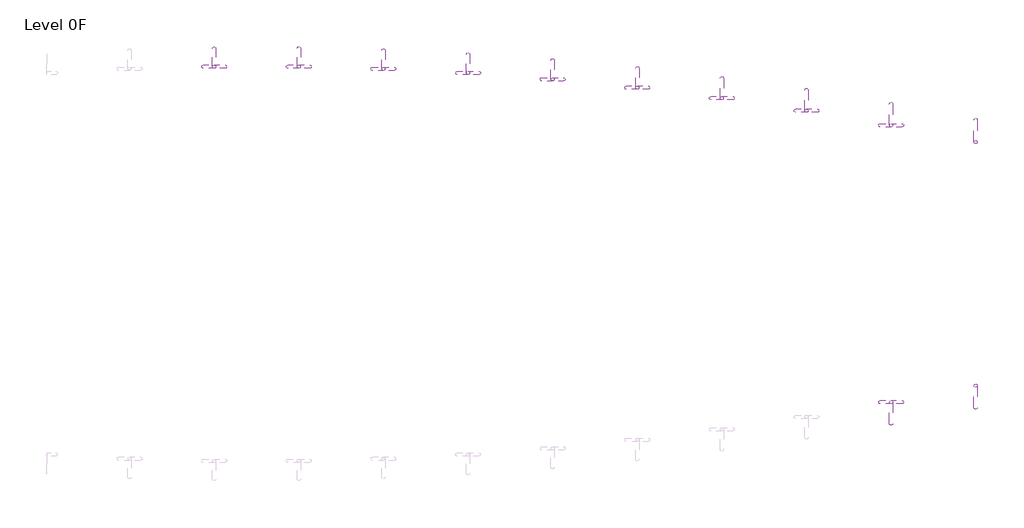
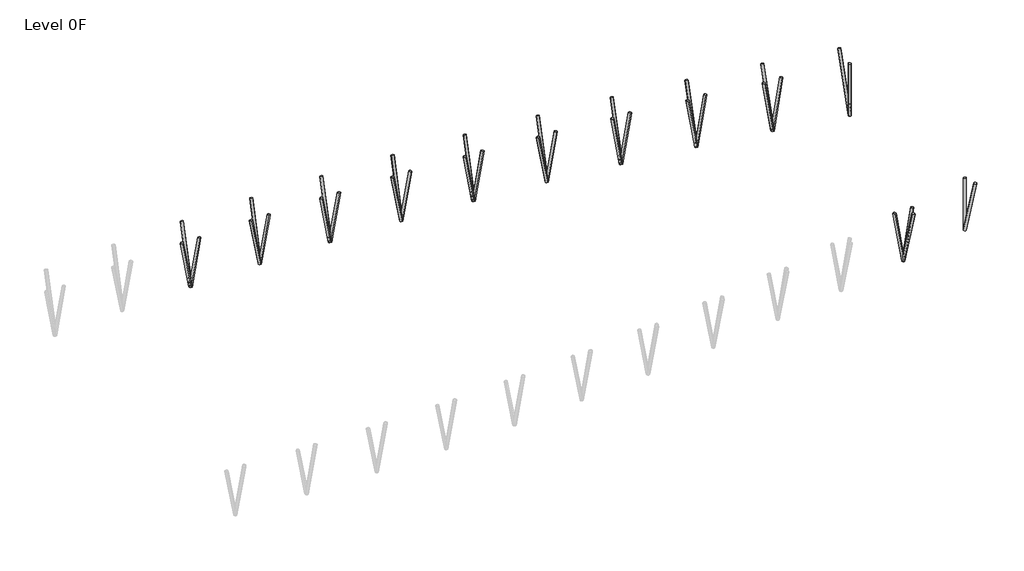
# One storey, part 3 of 3: 34 columns.
"""IFC4 building model written with IfcOpenShell, lengths in millimetres."""

from ifc_helpers import new_model, si_unit, point, frame, frame_2d, origin, place, context, project, spatial, circle_curve, trimmed, segment, composite_curve, outline, extrude, element, save

model = new_model("IFC4")

# Units and contexts
model_context = context("Model", 3, world=origin())
ifc_project = project(units=[si_unit("LENGTHUNIT", "METRE", prefix="MILLI")], contexts=[model_context])

# Site, building, storey
site = spatial("IfcSite", under=ifc_project)
building = spatial("IfcBuilding", under=site)
storey = spatial("IfcBuildingStorey", under=building, Name="Level 0F", Elevation=-1600.0)

# Columns
placement = place(None, origin())
element("IfcColumn", 1, ObjectType="CHS-Round tubes-Column : CHS 244.5x6", at=placement, inside=storey, context=model_context, shape_type="SweptSolid", body=[
    extrude(outline(composite_curve([segment(trimmed(circle_curve(frame_2d((0.0, -122.25)), 122.25), [point((0.0, -244.5))], [point((0.0, 0.0))], False, "CARTESIAN"), True, "CONTINUOUS"), segment(trimmed(circle_curve(frame_2d((0.0, -122.25)), 122.25), [point((0.0, 0.0))], [point((0.0, -244.5))], False, "CARTESIAN"), True, "CONTINUOUS")], self_intersect=False), holes=[composite_curve([segment(trimmed(circle_curve(frame_2d((0.0, -122.25)), 116.25), [point((0.0, -238.5))], [point((0.0, -6.0))], True, "CARTESIAN"), True, "CONTINUOUS"), segment(trimmed(circle_curve(frame_2d((0.0, -122.25)), 116.25), [point((0.0, -6.0))], [point((0.0, -238.5))], True, "CARTESIAN"), True, "CONTINUOUS")], self_intersect=False)]), frame((3228.9976633, 34319.5752339, -100.0), z_axis=(0.0, 0.24359208578785344, 0.9698777736093982), x_axis=(0.0, 0.9698777736093982, -0.24359208578785344)), (0.0, 0.0, 1.0), 5258.3899322),
])
element("IfcColumn", 2, ObjectType="CHS-Round tubes-Column : CHS 244.5x6", at=placement, inside=storey, context=model_context, shape_type="SweptSolid", body=[
    extrude(outline(composite_curve([segment(trimmed(circle_curve(frame_2d((0.0, -122.25)), 122.25), [point((0.0, -244.5))], [point((0.0, 0.0))], False, "CARTESIAN"), True, "CONTINUOUS"), segment(trimmed(circle_curve(frame_2d((0.0, -122.25)), 122.25), [point((0.0, 0.0))], [point((0.0, -244.5))], False, "CARTESIAN"), True, "CONTINUOUS")], self_intersect=False), holes=[composite_curve([segment(trimmed(circle_curve(frame_2d((0.0, -122.25)), 116.25), [point((0.0, -238.5))], [point((0.0, -6.0))], True, "CARTESIAN"), True, "CONTINUOUS"), segment(trimmed(circle_curve(frame_2d((0.0, -122.25)), 116.25), [point((0.0, -6.0))], [point((0.0, -238.5))], True, "CARTESIAN"), True, "CONTINUOUS")], self_intersect=False)]), frame((9111.3524995, 34319.5752339, -100.0), z_axis=(0.0, 0.2435920857878605, 0.9698777736093964), x_axis=(0.0, 0.9698777736093964, -0.2435920857878605)), (0.0, 0.0, 1.0), 5258.3899322),
])
element("IfcColumn", 3, ObjectType="CHS-Round tubes-Column : CHS 244.5x6", at=placement, inside=storey, context=model_context, shape_type="SweptSolid", body=[
    extrude(outline(composite_curve([segment(trimmed(circle_curve(frame_2d((0.0, -122.25)), 122.25), [point((0.0, -244.5))], [point((0.0, 0.0))], False, "CARTESIAN"), True, "CONTINUOUS"), segment(trimmed(circle_curve(frame_2d((0.0, -122.25)), 122.25), [point((0.0, 0.0))], [point((0.0, -244.5))], False, "CARTESIAN"), True, "CONTINUOUS")], self_intersect=False), holes=[composite_curve([segment(trimmed(circle_curve(frame_2d((0.0, -122.25)), 116.25), [point((0.0, -238.5))], [point((0.0, -6.0))], True, "CARTESIAN"), True, "CONTINUOUS"), segment(trimmed(circle_curve(frame_2d((0.0, -122.25)), 116.25), [point((0.0, -6.0))], [point((0.0, -238.5))], True, "CARTESIAN"), True, "CONTINUOUS")], self_intersect=False)]), frame((14993.7073357, 34173.9303154, -100.0), z_axis=(0.0, 0.24488595042368114, 0.9695518920022231), x_axis=(0.0, 0.9695518920022231, -0.24488595042368114)), (0.0, 0.0, 1.0), 5260.1573692),
])
element("IfcColumn", 4, ObjectType="CHS-Round tubes-Column : CHS 244.5x6", at=placement, inside=storey, context=model_context, shape_type="SweptSolid", body=[
    extrude(outline(composite_curve([segment(trimmed(circle_curve(frame_2d((0.0, -122.25)), 122.25), [point((0.0, -244.5))], [point((0.0, 0.0))], False, "CARTESIAN"), True, "CONTINUOUS"), segment(trimmed(circle_curve(frame_2d((0.0, -122.25)), 122.25), [point((0.0, 0.0))], [point((0.0, -244.5))], False, "CARTESIAN"), True, "CONTINUOUS")], self_intersect=False), holes=[composite_curve([segment(trimmed(circle_curve(frame_2d((0.0, -122.25)), 116.25), [point((0.0, -238.5))], [point((0.0, -6.0))], True, "CARTESIAN"), True, "CONTINUOUS"), segment(trimmed(circle_curve(frame_2d((0.0, -122.25)), 116.25), [point((0.0, -6.0))], [point((0.0, -238.5))], True, "CARTESIAN"), True, "CONTINUOUS")], self_intersect=False)]), frame((20876.0621719, 33882.533172, -100.0), z_axis=(0.0, 0.2474888909356892, 0.9688907311267987), x_axis=(0.0, 0.9688907311267987, -0.2474888909356892)), (0.0, 0.0, 1.0), 5263.7468645),
])
element("IfcColumn", 5, ObjectType="CHS-Round tubes-Column : CHS 244.5x6", at=placement, inside=storey, context=model_context, shape_type="SweptSolid", body=[
    extrude(outline(composite_curve([segment(trimmed(circle_curve(frame_2d((0.0, -122.25)), 122.25), [point((0.0, -244.5))], [point((0.0, 0.0))], False, "CARTESIAN"), True, "CONTINUOUS"), segment(trimmed(circle_curve(frame_2d((0.0, -122.25)), 122.25), [point((0.0, 0.0))], [point((0.0, -244.5))], False, "CARTESIAN"), True, "CONTINUOUS")], self_intersect=False), holes=[composite_curve([segment(trimmed(circle_curve(frame_2d((0.0, -122.25)), 116.25), [point((0.0, -238.5))], [point((0.0, -6.0))], True, "CARTESIAN"), True, "CONTINUOUS"), segment(trimmed(circle_curve(frame_2d((0.0, -122.25)), 116.25), [point((0.0, -6.0))], [point((0.0, -238.5))], True, "CARTESIAN"), True, "CONTINUOUS")], self_intersect=False)]), frame((26758.4170081, 33445.2054656, -100.0), z_axis=(0.0, 0.25142450676450084, 0.9678769123180011), x_axis=(0.0, 0.9678769123180011, -0.25142450676450084)), (0.0, 0.0, 1.0), 5269.2604927),
])
element("IfcColumn", 6, ObjectType="CHS-Round tubes-Column : CHS 244.5x6", at=placement, inside=storey, context=model_context, shape_type="SweptSolid", body=[
    extrude(outline(composite_curve([segment(trimmed(circle_curve(frame_2d((0.0, -122.25)), 122.25), [point((0.0, -244.5))], [point((0.0, 0.0))], False, "CARTESIAN"), True, "CONTINUOUS"), segment(trimmed(circle_curve(frame_2d((0.0, -122.25)), 122.25), [point((0.0, 0.0))], [point((0.0, -244.5))], False, "CARTESIAN"), True, "CONTINUOUS")], self_intersect=False), holes=[composite_curve([segment(trimmed(circle_curve(frame_2d((0.0, -122.25)), 116.25), [point((0.0, -238.5))], [point((0.0, -6.0))], True, "CARTESIAN"), True, "CONTINUOUS"), segment(trimmed(circle_curve(frame_2d((0.0, -122.25)), 116.25), [point((0.0, -6.0))], [point((0.0, -238.5))], True, "CARTESIAN"), True, "CONTINUOUS")], self_intersect=False)]), frame((32640.7718442, 32861.789376, -100.0), z_axis=(0.0, 0.25670794805985014, 0.966489021873969), x_axis=(0.0, 0.966489021873969, -0.25670794805985014)), (0.0, 0.0, 1.0), 5276.8272557),
])
element("IfcColumn", 7, ObjectType="CHS-Round tubes-Column : CHS 244.5x6", at=placement, inside=storey, context=model_context, shape_type="SweptSolid", body=[
    extrude(outline(composite_curve([segment(trimmed(circle_curve(frame_2d((0.0, -122.25)), 122.25), [point((0.0, -244.5))], [point((0.0, 0.0))], False, "CARTESIAN"), True, "CONTINUOUS"), segment(trimmed(circle_curve(frame_2d((0.0, -122.25)), 122.25), [point((0.0, 0.0))], [point((0.0, -244.5))], False, "CARTESIAN"), True, "CONTINUOUS")], self_intersect=False), holes=[composite_curve([segment(trimmed(circle_curve(frame_2d((0.0, -122.25)), 116.25), [point((0.0, -238.5))], [point((0.0, -6.0))], True, "CARTESIAN"), True, "CONTINUOUS"), segment(trimmed(circle_curve(frame_2d((0.0, -122.25)), 116.25), [point((0.0, -6.0))], [point((0.0, -238.5))], True, "CARTESIAN"), True, "CONTINUOUS")], self_intersect=False)]), frame((38523.1266804, 32132.3393642, -100.0), z_axis=(0.0, 0.2633116576114576, 0.9647108224571271), x_axis=(0.0, 0.9647108224571271, -0.2633116576114576)), (0.0, 0.0, 1.0), 5286.5537947),
])
element("IfcColumn", 8, ObjectType="CHS-Round tubes-Column : CHS 244.5x6", at=placement, inside=storey, context=model_context, shape_type="SweptSolid", body=[
    extrude(outline(composite_curve([segment(trimmed(circle_curve(frame_2d((0.0, -122.25)), 122.25), [point((0.0, -244.5))], [point((0.0, 0.0))], False, "CARTESIAN"), True, "CONTINUOUS"), segment(trimmed(circle_curve(frame_2d((0.0, -122.25)), 122.25), [point((0.0, 0.0))], [point((0.0, -244.5))], False, "CARTESIAN"), True, "CONTINUOUS")], self_intersect=False), holes=[composite_curve([segment(trimmed(circle_curve(frame_2d((0.0, -122.25)), 116.25), [point((0.0, -238.5))], [point((0.0, -6.0))], True, "CARTESIAN"), True, "CONTINUOUS"), segment(trimmed(circle_curve(frame_2d((0.0, -122.25)), 116.25), [point((0.0, -6.0))], [point((0.0, -238.5))], True, "CARTESIAN"), True, "CONTINUOUS")], self_intersect=False)]), frame((44405.4815166, 31257.4980252, -100.0), z_axis=(0.0, 0.27110026908041684, 0.9625511124633983), x_axis=(0.0, 0.9625511124633983, -0.27110026908041684)), (0.0, 0.0, 1.0), 5298.4154803),
])
element("IfcColumn", 9, ObjectType="CHS-Round tubes-Column : CHS 244.5x6", at=placement, inside=storey, context=model_context, shape_type="SweptSolid", body=[
    extrude(outline(composite_curve([segment(trimmed(circle_curve(frame_2d((0.0, -122.25)), 122.25), [point((0.0, -244.5))], [point((0.0, 0.0))], False, "CARTESIAN"), True, "CONTINUOUS"), segment(trimmed(circle_curve(frame_2d((0.0, -122.25)), 122.25), [point((0.0, 0.0))], [point((0.0, -244.5))], False, "CARTESIAN"), True, "CONTINUOUS")], self_intersect=False), holes=[composite_curve([segment(trimmed(circle_curve(frame_2d((0.0, -122.25)), 116.25), [point((0.0, -238.5))], [point((0.0, -6.0))], True, "CARTESIAN"), True, "CONTINUOUS"), segment(trimmed(circle_curve(frame_2d((0.0, -122.25)), 116.25), [point((0.0, -6.0))], [point((0.0, -238.5))], True, "CARTESIAN"), True, "CONTINUOUS")], self_intersect=False)]), frame((50287.8363528, 30239.1888192, -100.0), z_axis=(0.0, 0.2797142668685734, 0.9600832926940124), x_axis=(0.0, 0.9600832926940124, -0.2797142668685734)), (0.0, 0.0, 1.0), 5312.0347147),
])
element("IfcColumn", 10, ObjectType="CHS-Round tubes-Column : CHS 244.5x6", at=placement, inside=storey, context=model_context, shape_type="SweptSolid", body=[
    extrude(outline(composite_curve([segment(trimmed(circle_curve(frame_2d((0.0, -122.25)), 122.25), [point((0.0, -244.5))], [point((0.0, 0.0))], False, "CARTESIAN"), True, "CONTINUOUS"), segment(trimmed(circle_curve(frame_2d((0.0, -122.25)), 122.25), [point((0.0, 0.0))], [point((0.0, -244.5))], False, "CARTESIAN"), True, "CONTINUOUS")], self_intersect=False), holes=[composite_curve([segment(trimmed(circle_curve(frame_2d((0.0, -122.25)), 116.25), [point((0.0, -238.5))], [point((0.0, -6.0))], True, "CARTESIAN"), True, "CONTINUOUS"), segment(trimmed(circle_curve(frame_2d((0.0, -122.25)), 116.25), [point((0.0, -6.0))], [point((0.0, -238.5))], True, "CARTESIAN"), True, "CONTINUOUS")], self_intersect=False)]), frame((56170.1911889, 29081.7727716, -100.0), z_axis=(0.0, 0.28838146408851056, 0.9575156036170727), x_axis=(0.0, 0.9575156036170727, -0.28838146408851056)), (0.0, 0.0, 1.0), 5326.2796289),
])
element("IfcColumn", 11, ObjectType="CHS-Round tubes-Column : CHS 244.5x6", at=placement, inside=storey, context=model_context, shape_type="SweptSolid", body=[
    extrude(outline(composite_curve([segment(trimmed(circle_curve(frame_2d((0.0, -122.25)), 122.25), [point((0.0, -244.5))], [point((0.0, 0.0))], False, "CARTESIAN"), True, "CONTINUOUS"), segment(trimmed(circle_curve(frame_2d((0.0, -122.25)), 122.25), [point((0.0, 0.0))], [point((0.0, -244.5))], False, "CARTESIAN"), True, "CONTINUOUS")], self_intersect=False), holes=[composite_curve([segment(trimmed(circle_curve(frame_2d((0.0, -122.25)), 116.25), [point((0.0, -238.5))], [point((0.0, -6.0))], True, "CARTESIAN"), True, "CONTINUOUS"), segment(trimmed(circle_curve(frame_2d((0.0, -122.25)), 116.25), [point((0.0, -6.0))], [point((0.0, -238.5))], True, "CARTESIAN"), True, "CONTINUOUS")], self_intersect=False)]), frame((50532.3363528, 10996.3613836, -100.0), z_axis=(0.0, -0.2797142668685815, 0.96008329269401), x_axis=(0.0, -0.96008329269401, -0.2797142668685815)), (0.0, 0.0, 1.0), 5312.0347147),
])
element("IfcColumn", 12, ObjectType="CHS-Round tubes-Column : CHS 244.5x6", at=placement, inside=storey, context=model_context, shape_type="SweptSolid", body=[
    extrude(outline(composite_curve([segment(trimmed(circle_curve(frame_2d((0.0, -122.25)), 122.25), [point((0.0, -244.5))], [point((0.0, 0.0))], False, "CARTESIAN"), True, "CONTINUOUS"), segment(trimmed(circle_curve(frame_2d((0.0, -122.25)), 122.25), [point((0.0, 0.0))], [point((0.0, -244.5))], False, "CARTESIAN"), True, "CONTINUOUS")], self_intersect=False), holes=[composite_curve([segment(trimmed(circle_curve(frame_2d((0.0, -122.25)), 116.25), [point((0.0, -238.5))], [point((0.0, -6.0))], True, "CARTESIAN"), True, "CONTINUOUS"), segment(trimmed(circle_curve(frame_2d((0.0, -122.25)), 116.25), [point((0.0, -6.0))], [point((0.0, -238.5))], True, "CARTESIAN"), True, "CONTINUOUS")], self_intersect=False)]), frame((56414.6911889, 12153.7774311, -100.0), z_axis=(0.0, -0.2883814640885175, 0.9575156036170707), x_axis=(0.0, -0.9575156036170707, -0.2883814640885175)), (0.0, 0.0, 1.0), 5326.2796289),
])
element("IfcColumn", 13, ObjectType="CHS-Round tubes-Column : CHS 244.5x6", at=placement, inside=storey, context=model_context, shape_type="SweptSolid", body=[
    extrude(outline(composite_curve([segment(trimmed(circle_curve(frame_2d((56292.4411889, 29081.7727716)), 122.25), [point((56170.1911889, 29081.7727716))], [point((56414.6911889, 29081.7727716))], False, "CARTESIAN"), True, "CONTINUOUS"), segment(trimmed(circle_curve(frame_2d((56292.4411889, 29081.7727716)), 122.25), [point((56414.6911889, 29081.7727716))], [point((56170.1911889, 29081.7727716))], False, "CARTESIAN"), True, "CONTINUOUS")], self_intersect=False), holes=[composite_curve([segment(trimmed(circle_curve(frame_2d((56292.4411889, 29081.7727716)), 116.25), [point((56176.1911889, 29081.7727716))], [point((56408.6911889, 29081.7727716))], True, "CARTESIAN"), True, "CONTINUOUS"), segment(trimmed(circle_curve(frame_2d((56292.4411889, 29081.7727716)), 116.25), [point((56408.6911889, 29081.7727716))], [point((56176.1911889, 29081.7727716))], True, "CARTESIAN"), True, "CONTINUOUS")], self_intersect=False)]), frame((0.0, 0.0, -100.0), z_axis=(0.0, 0.0, 1.0), x_axis=(1.0, 0.0, 0.0)), (0.0, 0.0, 1.0), 4651.9969426),
])
element("IfcColumn", 14, ObjectType="CHS-Round tubes-Column : CHS 244.5x6", at=placement, inside=storey, context=model_context, shape_type="SweptSolid", body=[
    extrude(outline(composite_curve([segment(trimmed(circle_curve(frame_2d((56292.4411889, 12153.7774311)), 122.25), [point((56170.1911889, 12153.7774311))], [point((56414.6911889, 12153.7774311))], False, "CARTESIAN"), True, "CONTINUOUS"), segment(trimmed(circle_curve(frame_2d((56292.4411889, 12153.7774311)), 122.25), [point((56414.6911889, 12153.7774311))], [point((56170.1911889, 12153.7774311))], False, "CARTESIAN"), True, "CONTINUOUS")], self_intersect=False), holes=[composite_curve([segment(trimmed(circle_curve(frame_2d((56292.4411889, 12153.7774311)), 116.25), [point((56176.1911889, 12153.7774311))], [point((56408.6911889, 12153.7774311))], True, "CARTESIAN"), True, "CONTINUOUS"), segment(trimmed(circle_curve(frame_2d((56292.4411889, 12153.7774311)), 116.25), [point((56408.6911889, 12153.7774311))], [point((56176.1911889, 12153.7774311))], True, "CARTESIAN"), True, "CONTINUOUS")], self_intersect=False)]), frame((0.0, 0.0, -100.0), z_axis=(0.0, 0.0, 1.0), x_axis=(1.0, 0.0, 0.0)), (0.0, 0.0, 1.0), 4651.9969426),
])
element("IfcColumn", 15, ObjectType="CHS-Round tubes-Column : CHS 244.5x6", at=placement, inside=storey, context=model_context, shape_type="SweptSolid", body=[
    extrude(outline(composite_curve([segment(trimmed(circle_curve(frame_2d((0.0, -122.25)), 122.25), [point((0.0, -244.5))], [point((0.0, 0.0))], False, "CARTESIAN"), True, "CONTINUOUS"), segment(trimmed(circle_curve(frame_2d((0.0, -122.25)), 122.25), [point((0.0, 0.0))], [point((0.0, -244.5))], False, "CARTESIAN"), True, "CONTINUOUS")], self_intersect=False), holes=[composite_curve([segment(trimmed(circle_curve(frame_2d((0.0, -122.25)), 116.25), [point((0.0, -238.5))], [point((0.0, -6.0))], True, "CARTESIAN"), True, "CONTINUOUS"), segment(trimmed(circle_curve(frame_2d((0.0, -122.25)), 116.25), [point((0.0, -6.0))], [point((0.0, -238.5))], True, "CARTESIAN"), True, "CONTINUOUS")], self_intersect=False)]), frame((3351.2476633, 34441.8252339, -100.0), z_axis=(0.17820793745383384, 0.0, 0.9839928511063739), x_axis=(0.9839928511063739, 0.0, -0.17820793745383384)), (0.0, 0.0, 1.0), 4208.5667491),
])
element("IfcColumn", 16, ObjectType="CHS-Round tubes-Column : CHS 244.5x6", at=placement, inside=storey, context=model_context, shape_type="SweptSolid", body=[
    extrude(outline(composite_curve([segment(trimmed(circle_curve(frame_2d((0.0, -122.25)), 122.25), [point((0.0, -244.5))], [point((0.0, 0.0))], False, "CARTESIAN"), True, "CONTINUOUS"), segment(trimmed(circle_curve(frame_2d((0.0, -122.25)), 122.25), [point((0.0, 0.0))], [point((0.0, -244.5))], False, "CARTESIAN"), True, "CONTINUOUS")], self_intersect=False), holes=[composite_curve([segment(trimmed(circle_curve(frame_2d((0.0, -122.25)), 116.25), [point((0.0, -238.5))], [point((0.0, -6.0))], True, "CARTESIAN"), True, "CONTINUOUS"), segment(trimmed(circle_curve(frame_2d((0.0, -122.25)), 116.25), [point((0.0, -6.0))], [point((0.0, -238.5))], True, "CARTESIAN"), True, "CONTINUOUS")], self_intersect=False)]), frame((3351.2476633, 34197.3252339, -100.0), z_axis=(-0.17820793745383373, 0.0, 0.9839928511063739), x_axis=(-0.9839928511063739, 0.0, -0.17820793745383373)), (0.0, 0.0, 1.0), 4208.5667491),
])
element("IfcColumn", 17, ObjectType="CHS-Round tubes-Column : CHS 244.5x6", at=placement, inside=storey, context=model_context, shape_type="SweptSolid", body=[
    extrude(outline(composite_curve([segment(trimmed(circle_curve(frame_2d((0.0, -122.25)), 122.25), [point((0.0, -244.5))], [point((0.0, 0.0))], False, "CARTESIAN"), True, "CONTINUOUS"), segment(trimmed(circle_curve(frame_2d((0.0, -122.25)), 122.25), [point((0.0, 0.0))], [point((0.0, -244.5))], False, "CARTESIAN"), True, "CONTINUOUS")], self_intersect=False), holes=[composite_curve([segment(trimmed(circle_curve(frame_2d((0.0, -122.25)), 116.25), [point((0.0, -238.5))], [point((0.0, -6.0))], True, "CARTESIAN"), True, "CONTINUOUS"), segment(trimmed(circle_curve(frame_2d((0.0, -122.25)), 116.25), [point((0.0, -6.0))], [point((0.0, -238.5))], True, "CARTESIAN"), True, "CONTINUOUS")], self_intersect=False)]), frame((9233.6024995, 34441.8252339, -100.0), z_axis=(0.1782079374538309, 0.0, 0.9839928511063744), x_axis=(0.9839928511063744, 0.0, -0.1782079374538309)), (0.0, 0.0, 1.0), 4208.5667491),
])
element("IfcColumn", 18, ObjectType="CHS-Round tubes-Column : CHS 244.5x6", at=placement, inside=storey, context=model_context, shape_type="SweptSolid", body=[
    extrude(outline(composite_curve([segment(trimmed(circle_curve(frame_2d((0.0, -122.25)), 122.25), [point((0.0, -244.5))], [point((0.0, 0.0))], False, "CARTESIAN"), True, "CONTINUOUS"), segment(trimmed(circle_curve(frame_2d((0.0, -122.25)), 122.25), [point((0.0, 0.0))], [point((0.0, -244.5))], False, "CARTESIAN"), True, "CONTINUOUS")], self_intersect=False), holes=[composite_curve([segment(trimmed(circle_curve(frame_2d((0.0, -122.25)), 116.25), [point((0.0, -238.5))], [point((0.0, -6.0))], True, "CARTESIAN"), True, "CONTINUOUS"), segment(trimmed(circle_curve(frame_2d((0.0, -122.25)), 116.25), [point((0.0, -6.0))], [point((0.0, -238.5))], True, "CARTESIAN"), True, "CONTINUOUS")], self_intersect=False)]), frame((9233.6024995, 34197.3252339, -100.0), z_axis=(-0.1782079374538309, 0.0, 0.9839928511063744), x_axis=(-0.9839928511063744, 0.0, -0.1782079374538309)), (0.0, 0.0, 1.0), 4208.5667491),
])
element("IfcColumn", 19, ObjectType="CHS-Round tubes-Column : CHS 244.5x6", at=placement, inside=storey, context=model_context, shape_type="SweptSolid", body=[
    extrude(outline(composite_curve([segment(trimmed(circle_curve(frame_2d((0.0, -122.25)), 122.25), [point((0.0, -244.5))], [point((0.0, 0.0))], False, "CARTESIAN"), True, "CONTINUOUS"), segment(trimmed(circle_curve(frame_2d((0.0, -122.25)), 122.25), [point((0.0, 0.0))], [point((0.0, -244.5))], False, "CARTESIAN"), True, "CONTINUOUS")], self_intersect=False), holes=[composite_curve([segment(trimmed(circle_curve(frame_2d((0.0, -122.25)), 116.25), [point((0.0, -238.5))], [point((0.0, -6.0))], True, "CARTESIAN"), True, "CONTINUOUS"), segment(trimmed(circle_curve(frame_2d((0.0, -122.25)), 116.25), [point((0.0, -6.0))], [point((0.0, -238.5))], True, "CARTESIAN"), True, "CONTINUOUS")], self_intersect=False)]), frame((15115.9573357, 34296.1803154, -100.0), z_axis=(0.17780283317114015, 0.0, 0.9840661321864074), x_axis=(0.9840661321864074, 0.0, -0.17780283317114015)), (0.0, 0.0, 1.0), 4218.1555076),
])
element("IfcColumn", 20, ObjectType="CHS-Round tubes-Column : CHS 244.5x6", at=placement, inside=storey, context=model_context, shape_type="SweptSolid", body=[
    extrude(outline(composite_curve([segment(trimmed(circle_curve(frame_2d((0.0, -122.25)), 122.25), [point((0.0, -244.5))], [point((0.0, 0.0))], False, "CARTESIAN"), True, "CONTINUOUS"), segment(trimmed(circle_curve(frame_2d((0.0, -122.25)), 122.25), [point((0.0, 0.0))], [point((0.0, -244.5))], False, "CARTESIAN"), True, "CONTINUOUS")], self_intersect=False), holes=[composite_curve([segment(trimmed(circle_curve(frame_2d((0.0, -122.25)), 116.25), [point((0.0, -238.5))], [point((0.0, -6.0))], True, "CARTESIAN"), True, "CONTINUOUS"), segment(trimmed(circle_curve(frame_2d((0.0, -122.25)), 116.25), [point((0.0, -6.0))], [point((0.0, -238.5))], True, "CARTESIAN"), True, "CONTINUOUS")], self_intersect=False)]), frame((15115.9573357, 34051.6803154, -100.0), z_axis=(-0.17780283317114015, 0.0, 0.9840661321864074), x_axis=(-0.9840661321864074, 0.0, -0.17780283317114015)), (0.0, 0.0, 1.0), 4218.1555076),
])
element("IfcColumn", 21, ObjectType="CHS-Round tubes-Column : CHS 244.5x6", at=placement, inside=storey, context=model_context, shape_type="SweptSolid", body=[
    extrude(outline(composite_curve([segment(trimmed(circle_curve(frame_2d((0.0, -122.25)), 122.25), [point((0.0, -244.5))], [point((0.0, 0.0))], False, "CARTESIAN"), True, "CONTINUOUS"), segment(trimmed(circle_curve(frame_2d((0.0, -122.25)), 122.25), [point((0.0, 0.0))], [point((0.0, -244.5))], False, "CARTESIAN"), True, "CONTINUOUS")], self_intersect=False), holes=[composite_curve([segment(trimmed(circle_curve(frame_2d((0.0, -122.25)), 116.25), [point((0.0, -238.5))], [point((0.0, -6.0))], True, "CARTESIAN"), True, "CONTINUOUS"), segment(trimmed(circle_curve(frame_2d((0.0, -122.25)), 116.25), [point((0.0, -6.0))], [point((0.0, -238.5))], True, "CARTESIAN"), True, "CONTINUOUS")], self_intersect=False)]), frame((20998.3121719, 34004.783172, -100.0), z_axis=(0.17697230239486794, 0.0, 0.9842158321146127), x_axis=(0.9842158321146127, 0.0, -0.17697230239486794)), (0.0, 0.0, 1.0), 4237.9513057),
])
element("IfcColumn", 22, ObjectType="CHS-Round tubes-Column : CHS 244.5x6", at=placement, inside=storey, context=model_context, shape_type="SweptSolid", body=[
    extrude(outline(composite_curve([segment(trimmed(circle_curve(frame_2d((0.0, -122.25)), 122.25), [point((0.0, -244.5))], [point((0.0, 0.0))], False, "CARTESIAN"), True, "CONTINUOUS"), segment(trimmed(circle_curve(frame_2d((0.0, -122.25)), 122.25), [point((0.0, 0.0))], [point((0.0, -244.5))], False, "CARTESIAN"), True, "CONTINUOUS")], self_intersect=False), holes=[composite_curve([segment(trimmed(circle_curve(frame_2d((0.0, -122.25)), 116.25), [point((0.0, -238.5))], [point((0.0, -6.0))], True, "CARTESIAN"), True, "CONTINUOUS"), segment(trimmed(circle_curve(frame_2d((0.0, -122.25)), 116.25), [point((0.0, -6.0))], [point((0.0, -238.5))], True, "CARTESIAN"), True, "CONTINUOUS")], self_intersect=False)]), frame((20998.3121719, 33760.283172, -100.0), z_axis=(-0.17697230239486794, 0.0, 0.9842158321146127), x_axis=(-0.9842158321146127, 0.0, -0.17697230239486794)), (0.0, 0.0, 1.0), 4237.9513057),
])
element("IfcColumn", 23, ObjectType="CHS-Round tubes-Column : CHS 244.5x6", at=placement, inside=storey, context=model_context, shape_type="SweptSolid", body=[
    extrude(outline(composite_curve([segment(trimmed(circle_curve(frame_2d((0.0, -122.25)), 122.25), [point((0.0, -244.5))], [point((0.0, 0.0))], False, "CARTESIAN"), True, "CONTINUOUS"), segment(trimmed(circle_curve(frame_2d((0.0, -122.25)), 122.25), [point((0.0, 0.0))], [point((0.0, -244.5))], False, "CARTESIAN"), True, "CONTINUOUS")], self_intersect=False), holes=[composite_curve([segment(trimmed(circle_curve(frame_2d((0.0, -122.25)), 116.25), [point((0.0, -238.5))], [point((0.0, -6.0))], True, "CARTESIAN"), True, "CONTINUOUS"), segment(trimmed(circle_curve(frame_2d((0.0, -122.25)), 116.25), [point((0.0, -6.0))], [point((0.0, -238.5))], True, "CARTESIAN"), True, "CONTINUOUS")], self_intersect=False)]), frame((26880.6670081, 33567.4554656, -100.0), z_axis=(0.17567462869517644, 0.0, 0.9844482844887343), x_axis=(0.9844482844887343, 0.0, -0.17567462869517644)), (0.0, 0.0, 1.0), 4269.2562129),
])
element("IfcColumn", 24, ObjectType="CHS-Round tubes-Column : CHS 244.5x6", at=placement, inside=storey, context=model_context, shape_type="SweptSolid", body=[
    extrude(outline(composite_curve([segment(trimmed(circle_curve(frame_2d((0.0, -122.25)), 122.25), [point((0.0, -244.5))], [point((0.0, 0.0))], False, "CARTESIAN"), True, "CONTINUOUS"), segment(trimmed(circle_curve(frame_2d((0.0, -122.25)), 122.25), [point((0.0, 0.0))], [point((0.0, -244.5))], False, "CARTESIAN"), True, "CONTINUOUS")], self_intersect=False), holes=[composite_curve([segment(trimmed(circle_curve(frame_2d((0.0, -122.25)), 116.25), [point((0.0, -238.5))], [point((0.0, -6.0))], True, "CARTESIAN"), True, "CONTINUOUS"), segment(trimmed(circle_curve(frame_2d((0.0, -122.25)), 116.25), [point((0.0, -6.0))], [point((0.0, -238.5))], True, "CARTESIAN"), True, "CONTINUOUS")], self_intersect=False)]), frame((26880.6670081, 33322.9554656, -100.0), z_axis=(-0.17567462869517644, 0.0, 0.9844482844887343), x_axis=(-0.9844482844887343, 0.0, -0.17567462869517644)), (0.0, 0.0, 1.0), 4269.2562129),
])
element("IfcColumn", 25, ObjectType="CHS-Round tubes-Column : CHS 244.5x6", at=placement, inside=storey, context=model_context, shape_type="SweptSolid", body=[
    extrude(outline(composite_curve([segment(trimmed(circle_curve(frame_2d((0.0, -122.25)), 122.25), [point((0.0, -244.5))], [point((0.0, 0.0))], False, "CARTESIAN"), True, "CONTINUOUS"), segment(trimmed(circle_curve(frame_2d((0.0, -122.25)), 122.25), [point((0.0, 0.0))], [point((0.0, -244.5))], False, "CARTESIAN"), True, "CONTINUOUS")], self_intersect=False), holes=[composite_curve([segment(trimmed(circle_curve(frame_2d((0.0, -122.25)), 116.25), [point((0.0, -238.5))], [point((0.0, -6.0))], True, "CARTESIAN"), True, "CONTINUOUS"), segment(trimmed(circle_curve(frame_2d((0.0, -122.25)), 116.25), [point((0.0, -6.0))], [point((0.0, -238.5))], True, "CARTESIAN"), True, "CONTINUOUS")], self_intersect=False)]), frame((32763.0218442, 32984.039376, -100.0), z_axis=(0.17384494441151666, 0.0, 0.9847730374571375), x_axis=(0.9847730374571375, 0.0, -0.17384494441151666)), (0.0, 0.0, 1.0), 4314.1893055),
])
element("IfcColumn", 26, ObjectType="CHS-Round tubes-Column : CHS 244.5x6", at=placement, inside=storey, context=model_context, shape_type="SweptSolid", body=[
    extrude(outline(composite_curve([segment(trimmed(circle_curve(frame_2d((0.0, -122.25)), 122.25), [point((0.0, -244.5))], [point((0.0, 0.0))], False, "CARTESIAN"), True, "CONTINUOUS"), segment(trimmed(circle_curve(frame_2d((0.0, -122.25)), 122.25), [point((0.0, 0.0))], [point((0.0, -244.5))], False, "CARTESIAN"), True, "CONTINUOUS")], self_intersect=False), holes=[composite_curve([segment(trimmed(circle_curve(frame_2d((0.0, -122.25)), 116.25), [point((0.0, -238.5))], [point((0.0, -6.0))], True, "CARTESIAN"), True, "CONTINUOUS"), segment(trimmed(circle_curve(frame_2d((0.0, -122.25)), 116.25), [point((0.0, -6.0))], [point((0.0, -238.5))], True, "CARTESIAN"), True, "CONTINUOUS")], self_intersect=False)]), frame((32763.0218442, 32739.539376, -100.0), z_axis=(-0.1738449444115157, 0.0, 0.9847730374571376), x_axis=(-0.9847730374571376, 0.0, -0.1738449444115157)), (0.0, 0.0, 1.0), 4314.1893055),
])
element("IfcColumn", 27, ObjectType="CHS-Round tubes-Column : CHS 244.5x6", at=placement, inside=storey, context=model_context, shape_type="SweptSolid", body=[
    extrude(outline(composite_curve([segment(trimmed(circle_curve(frame_2d((0.0, -122.25)), 122.25), [point((0.0, -244.5))], [point((0.0, 0.0))], False, "CARTESIAN"), True, "CONTINUOUS"), segment(trimmed(circle_curve(frame_2d((0.0, -122.25)), 122.25), [point((0.0, 0.0))], [point((0.0, -244.5))], False, "CARTESIAN"), True, "CONTINUOUS")], self_intersect=False), holes=[composite_curve([segment(trimmed(circle_curve(frame_2d((0.0, -122.25)), 116.25), [point((0.0, -238.5))], [point((0.0, -6.0))], True, "CARTESIAN"), True, "CONTINUOUS"), segment(trimmed(circle_curve(frame_2d((0.0, -122.25)), 116.25), [point((0.0, -6.0))], [point((0.0, -238.5))], True, "CARTESIAN"), True, "CONTINUOUS")], self_intersect=False)]), frame((38645.3766804, 32254.5893642, -100.0), z_axis=(0.17139391880268812, 0.0, 0.985202580486601), x_axis=(0.985202580486601, 0.0, -0.17139391880268812)), (0.0, 0.0, 1.0), 4375.8845427),
])
element("IfcColumn", 28, ObjectType="CHS-Round tubes-Column : CHS 244.5x6", at=placement, inside=storey, context=model_context, shape_type="SweptSolid", body=[
    extrude(outline(composite_curve([segment(trimmed(circle_curve(frame_2d((0.0, -122.25)), 122.25), [point((0.0, -244.5))], [point((0.0, 0.0))], False, "CARTESIAN"), True, "CONTINUOUS"), segment(trimmed(circle_curve(frame_2d((0.0, -122.25)), 122.25), [point((0.0, 0.0))], [point((0.0, -244.5))], False, "CARTESIAN"), True, "CONTINUOUS")], self_intersect=False), holes=[composite_curve([segment(trimmed(circle_curve(frame_2d((0.0, -122.25)), 116.25), [point((0.0, -238.5))], [point((0.0, -6.0))], True, "CARTESIAN"), True, "CONTINUOUS"), segment(trimmed(circle_curve(frame_2d((0.0, -122.25)), 116.25), [point((0.0, -6.0))], [point((0.0, -238.5))], True, "CARTESIAN"), True, "CONTINUOUS")], self_intersect=False)]), frame((38645.3766804, 32010.0893642, -100.0), z_axis=(-0.17139391880268715, 0.0, 0.9852025804866011), x_axis=(-0.9852025804866011, 0.0, -0.17139391880268715)), (0.0, 0.0, 1.0), 4375.8845427),
])
element("IfcColumn", 29, ObjectType="CHS-Round tubes-Column : CHS 244.5x6", at=placement, inside=storey, context=model_context, shape_type="SweptSolid", body=[
    extrude(outline(composite_curve([segment(trimmed(circle_curve(frame_2d((0.0, -122.25)), 122.25), [point((0.0, -244.5))], [point((0.0, 0.0))], False, "CARTESIAN"), True, "CONTINUOUS"), segment(trimmed(circle_curve(frame_2d((0.0, -122.25)), 122.25), [point((0.0, 0.0))], [point((0.0, -244.5))], False, "CARTESIAN"), True, "CONTINUOUS")], self_intersect=False), holes=[composite_curve([segment(trimmed(circle_curve(frame_2d((0.0, -122.25)), 116.25), [point((0.0, -238.5))], [point((0.0, -6.0))], True, "CARTESIAN"), True, "CONTINUOUS"), segment(trimmed(circle_curve(frame_2d((0.0, -122.25)), 116.25), [point((0.0, -6.0))], [point((0.0, -238.5))], True, "CARTESIAN"), True, "CONTINUOUS")], self_intersect=False)]), frame((44527.7315166, 31379.7480252, -100.0), z_axis=(0.1682096263647622, 0.0, 0.9857512473226839), x_axis=(0.9857512473226839, 0.0, -0.1682096263647622)), (0.0, 0.0, 1.0), 4458.7222278),
])
element("IfcColumn", 30, ObjectType="CHS-Round tubes-Column : CHS 244.5x6", at=placement, inside=storey, context=model_context, shape_type="SweptSolid", body=[
    extrude(outline(composite_curve([segment(trimmed(circle_curve(frame_2d((0.0, -122.25)), 122.25), [point((0.0, -244.5))], [point((0.0, 0.0))], False, "CARTESIAN"), True, "CONTINUOUS"), segment(trimmed(circle_curve(frame_2d((0.0, -122.25)), 122.25), [point((0.0, 0.0))], [point((0.0, -244.5))], False, "CARTESIAN"), True, "CONTINUOUS")], self_intersect=False), holes=[composite_curve([segment(trimmed(circle_curve(frame_2d((0.0, -122.25)), 116.25), [point((0.0, -238.5))], [point((0.0, -6.0))], True, "CARTESIAN"), True, "CONTINUOUS"), segment(trimmed(circle_curve(frame_2d((0.0, -122.25)), 116.25), [point((0.0, -6.0))], [point((0.0, -238.5))], True, "CARTESIAN"), True, "CONTINUOUS")], self_intersect=False)]), frame((44527.7315166, 31135.2480252, -100.0), z_axis=(-0.1682096263647622, 0.0, 0.9857512473226839), x_axis=(-0.9857512473226839, 0.0, -0.1682096263647622)), (0.0, 0.0, 1.0), 4458.7222278),
])
element("IfcColumn", 31, ObjectType="CHS-Round tubes-Column : CHS 244.5x6", at=placement, inside=storey, context=model_context, shape_type="SweptSolid", body=[
    extrude(outline(composite_curve([segment(trimmed(circle_curve(frame_2d((0.0, -122.25)), 122.25), [point((0.0, -244.5))], [point((0.0, 0.0))], False, "CARTESIAN"), True, "CONTINUOUS"), segment(trimmed(circle_curve(frame_2d((0.0, -122.25)), 122.25), [point((0.0, 0.0))], [point((0.0, -244.5))], False, "CARTESIAN"), True, "CONTINUOUS")], self_intersect=False), holes=[composite_curve([segment(trimmed(circle_curve(frame_2d((0.0, -122.25)), 116.25), [point((0.0, -238.5))], [point((0.0, -6.0))], True, "CARTESIAN"), True, "CONTINUOUS"), segment(trimmed(circle_curve(frame_2d((0.0, -122.25)), 116.25), [point((0.0, -6.0))], [point((0.0, -238.5))], True, "CARTESIAN"), True, "CONTINUOUS")], self_intersect=False)]), frame((50410.0863528, 30361.4388192, -100.0), z_axis=(0.16416846599809432, 0.0, 0.9864323163663246), x_axis=(0.9864323163663246, 0.0, -0.16416846599809432)), (0.0, 0.0, 1.0), 4568.4778465),
])
element("IfcColumn", 32, ObjectType="CHS-Round tubes-Column : CHS 244.5x6", at=placement, inside=storey, context=model_context, shape_type="SweptSolid", body=[
    extrude(outline(composite_curve([segment(trimmed(circle_curve(frame_2d((0.0, -122.25)), 122.25), [point((0.0, -244.5))], [point((0.0, 0.0))], False, "CARTESIAN"), True, "CONTINUOUS"), segment(trimmed(circle_curve(frame_2d((0.0, -122.25)), 122.25), [point((0.0, 0.0))], [point((0.0, -244.5))], False, "CARTESIAN"), True, "CONTINUOUS")], self_intersect=False), holes=[composite_curve([segment(trimmed(circle_curve(frame_2d((0.0, -122.25)), 116.25), [point((0.0, -238.5))], [point((0.0, -6.0))], True, "CARTESIAN"), True, "CONTINUOUS"), segment(trimmed(circle_curve(frame_2d((0.0, -122.25)), 116.25), [point((0.0, -6.0))], [point((0.0, -238.5))], True, "CARTESIAN"), True, "CONTINUOUS")], self_intersect=False)]), frame((50410.0863528, 30116.9388192, -100.0), z_axis=(-0.16416846599809432, 0.0, 0.9864323163663246), x_axis=(-0.9864323163663246, 0.0, -0.16416846599809432)), (0.0, 0.0, 1.0), 4568.4778465),
])
element("IfcColumn", 33, ObjectType="CHS-Round tubes-Column : CHS 244.5x6", at=placement, inside=storey, context=model_context, shape_type="SweptSolid", body=[
    extrude(outline(composite_curve([segment(trimmed(circle_curve(frame_2d((0.0, -122.25)), 122.25), [point((0.0, -244.5))], [point((0.0, 0.0))], False, "CARTESIAN"), True, "CONTINUOUS"), segment(trimmed(circle_curve(frame_2d((0.0, -122.25)), 122.25), [point((0.0, 0.0))], [point((0.0, -244.5))], False, "CARTESIAN"), True, "CONTINUOUS")], self_intersect=False), holes=[composite_curve([segment(trimmed(circle_curve(frame_2d((0.0, -122.25)), 116.25), [point((0.0, -238.5))], [point((0.0, -6.0))], True, "CARTESIAN"), True, "CONTINUOUS"), segment(trimmed(circle_curve(frame_2d((0.0, -122.25)), 116.25), [point((0.0, -6.0))], [point((0.0, -238.5))], True, "CARTESIAN"), True, "CONTINUOUS")], self_intersect=False)]), frame((50410.0863528, 11118.6113836, -100.0), z_axis=(0.16416846599809268, 0.0, 0.9864323163663248), x_axis=(0.9864323163663248, 0.0, -0.16416846599809268)), (0.0, 0.0, 1.0), 4568.4778465),
])
element("IfcColumn", 34, ObjectType="CHS-Round tubes-Column : CHS 244.5x6", at=placement, inside=storey, context=model_context, shape_type="SweptSolid", body=[
    extrude(outline(composite_curve([segment(trimmed(circle_curve(frame_2d((0.0, -122.25)), 122.25), [point((0.0, -244.5))], [point((0.0, 0.0))], False, "CARTESIAN"), True, "CONTINUOUS"), segment(trimmed(circle_curve(frame_2d((0.0, -122.25)), 122.25), [point((0.0, 0.0))], [point((0.0, -244.5))], False, "CARTESIAN"), True, "CONTINUOUS")], self_intersect=False), holes=[composite_curve([segment(trimmed(circle_curve(frame_2d((0.0, -122.25)), 116.25), [point((0.0, -238.5))], [point((0.0, -6.0))], True, "CARTESIAN"), True, "CONTINUOUS"), segment(trimmed(circle_curve(frame_2d((0.0, -122.25)), 116.25), [point((0.0, -6.0))], [point((0.0, -238.5))], True, "CARTESIAN"), True, "CONTINUOUS")], self_intersect=False)]), frame((50410.0863528, 10874.1113836, -100.0), z_axis=(-0.16416846599809268, 0.0, 0.9864323163663248), x_axis=(-0.9864323163663248, 0.0, -0.16416846599809268)), (0.0, 0.0, 1.0), 4568.4778465),
])

save(model, "model.ifc")
